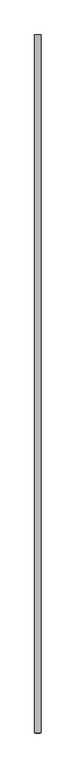
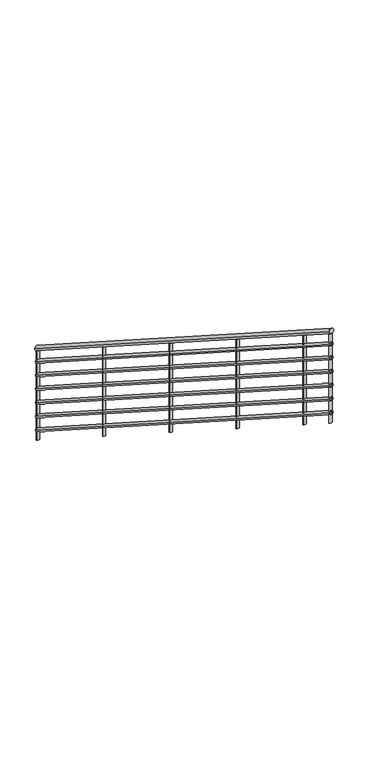
"""IFC4 building model written with IfcOpenShell, lengths in millimetres: railing geometry."""

from ifc_helpers import new_model, si_unit, frame, origin, place, context, project, spatial, ellipse_curve, source, transform, mapped, element, save
from ifc_brep_helpers import plane_surface, cylinder_surface, advanced_brep


def railing_e86615eb(model_context):
    return source(origin(), model_context, "Body", "AdvancedBrep", [
        advanced_brep(
        [(-822.7572282, -30005.6438645, 1052.7068065), (-862.7572282, -30005.6438645, 1052.7068065), (-822.7572282, -34405.6438645, 3876.2362183), (-862.7572282, -34405.6438645, 3876.2362183)],
        [
            (0, 1, ellipse_curve(frame((-842.7572282, -30005.6438645, 1052.7068065), z_axis=(0.0, 1.0, 0.0), x_axis=(0.0, 0.0, -1.0)), 23.7637817, 20.0)),
            (1, 0, ellipse_curve(frame((-842.7572282, -30005.6438645, 1052.7068065), z_axis=(0.0, 1.0, 0.0), x_axis=(0.0, 0.0, -1.0)), 23.7637817, 20.0)),
            (2, 3, ellipse_curve(frame((-842.7572282, -34405.6438645, 3876.2362183), z_axis=(0.0, -1.0, 0.0), x_axis=(0.0, 0.0, -1.0)), 23.7637817, 20.0)),
            (3, 2, ellipse_curve(frame((-842.7572282, -34405.6438645, 3876.2362183), z_axis=(0.0, -1.0, 0.0), x_axis=(0.0, 0.0, -1.0)), 23.7637817, 20.0)),
            (0, 2),
            (3, 1),
        ],
        [
            plane_surface(frame((-842.7572282, -30005.6438645, 1076.4705882), z_axis=(0.0, 1.0, 0.0), x_axis=(0.0, 0.0, -1.0))),
            plane_surface(frame((-842.7572282, -34405.6438645, 3900.0), z_axis=(0.0, -1.0, 0.0), x_axis=(0.0, 0.0, -1.0))),
            cylinder_surface(frame((-842.7572282, -30016.4453647, 1059.6382505), z_axis=(0.0, 0.841616887662225, -0.5400750081254915), x_axis=(-1.0, 0.0, 0.0)), 20.0),
        ],
        [
            (0, [[1, 2]]),
            (1, [[3, 4]]),
            (2, [[-1, 5, -4, 6]]),
            (2, [[-2, -6, -3, -5]]),
        ],
    ),
        advanced_brep(
        [(-827.7572282, -30005.6438645, 933.647752), (-857.7572282, -30005.6438645, 933.647752), (-827.7572282, -34405.6438645, 3757.1771637), (-857.7572282, -34405.6438645, 3757.1771637)],
        [
            (0, 1, ellipse_curve(frame((-842.7572282, -30005.6438645, 933.647752), z_axis=(0.0, 1.0, 0.0), x_axis=(0.0, 0.0, -1.0)), 17.8228363, 15.0)),
            (1, 0, ellipse_curve(frame((-842.7572282, -30005.6438645, 933.647752), z_axis=(0.0, 1.0, 0.0), x_axis=(0.0, 0.0, -1.0)), 17.8228363, 15.0)),
            (2, 3, ellipse_curve(frame((-842.7572282, -34405.6438645, 3757.1771637), z_axis=(0.0, -1.0, 0.0), x_axis=(0.0, 0.0, -1.0)), 17.8228363, 15.0)),
            (3, 2, ellipse_curve(frame((-842.7572282, -34405.6438645, 3757.1771637), z_axis=(0.0, -1.0, 0.0), x_axis=(0.0, 0.0, -1.0)), 17.8228363, 15.0)),
            (0, 2),
            (3, 1),
        ],
        [
            plane_surface(frame((-842.7572282, -30005.6438645, 951.4705882), z_axis=(0.0, 1.0, 0.0), x_axis=(0.0, 0.0, -1.0))),
            plane_surface(frame((-842.7572282, -34405.6438645, 3775.0), z_axis=(0.0, -1.0, 0.0), x_axis=(0.0, 0.0, -1.0))),
            cylinder_surface(frame((-842.7572282, -30013.7449896, 938.8463349), z_axis=(0.0, 0.841616887662225, -0.5400750081254915), x_axis=(-1.0, 0.0, 0.0)), 15.0),
        ],
        [
            (0, [[1, 2]]),
            (1, [[3, 4]]),
            (2, [[-1, 5, -4, 6]]),
            (2, [[-2, -6, -3, -5]]),
        ],
    ),
        advanced_brep(
        [(-827.7572282, -30005.6438645, 808.647752), (-857.7572282, -30005.6438645, 808.647752), (-827.7572282, -34405.6438645, 3632.1771637), (-857.7572282, -34405.6438645, 3632.1771637)],
        [
            (0, 1, ellipse_curve(frame((-842.7572282, -30005.6438645, 808.647752), z_axis=(0.0, 1.0, 0.0), x_axis=(0.0, 0.0, -1.0)), 17.8228363, 15.0)),
            (1, 0, ellipse_curve(frame((-842.7572282, -30005.6438645, 808.647752), z_axis=(0.0, 1.0, 0.0), x_axis=(0.0, 0.0, -1.0)), 17.8228363, 15.0)),
            (2, 3, ellipse_curve(frame((-842.7572282, -34405.6438645, 3632.1771637), z_axis=(0.0, -1.0, 0.0), x_axis=(0.0, 0.0, -1.0)), 17.8228363, 15.0)),
            (3, 2, ellipse_curve(frame((-842.7572282, -34405.6438645, 3632.1771637), z_axis=(0.0, -1.0, 0.0), x_axis=(0.0, 0.0, -1.0)), 17.8228363, 15.0)),
            (0, 2),
            (3, 1),
        ],
        [
            plane_surface(frame((-842.7572282, -30005.6438645, 826.4705882), z_axis=(0.0, 1.0, 0.0), x_axis=(0.0, 0.0, -1.0))),
            plane_surface(frame((-842.7572282, -34405.6438645, 3650.0), z_axis=(0.0, -1.0, 0.0), x_axis=(0.0, 0.0, -1.0))),
            cylinder_surface(frame((-842.7572282, -30013.7449896, 813.8463349), z_axis=(0.0, 0.841616887662225, -0.5400750081254915), x_axis=(-1.0, 0.0, 0.0)), 15.0),
        ],
        [
            (0, [[1, 2]]),
            (1, [[3, 4]]),
            (2, [[-1, 5, -4, 6]]),
            (2, [[-2, -6, -3, -5]]),
        ],
    ),
        advanced_brep(
        [(-827.7572282, -30005.6438645, 683.647752), (-857.7572282, -30005.6438645, 683.647752), (-827.7572282, -34405.6438645, 3507.1771637), (-857.7572282, -34405.6438645, 3507.1771637)],
        [
            (0, 1, ellipse_curve(frame((-842.7572282, -30005.6438645, 683.647752), z_axis=(0.0, 1.0, 0.0), x_axis=(0.0, 0.0, -1.0)), 17.8228363, 15.0)),
            (1, 0, ellipse_curve(frame((-842.7572282, -30005.6438645, 683.647752), z_axis=(0.0, 1.0, 0.0), x_axis=(0.0, 0.0, -1.0)), 17.8228363, 15.0)),
            (2, 3, ellipse_curve(frame((-842.7572282, -34405.6438645, 3507.1771637), z_axis=(0.0, -1.0, 0.0), x_axis=(0.0, 0.0, -1.0)), 17.8228363, 15.0)),
            (3, 2, ellipse_curve(frame((-842.7572282, -34405.6438645, 3507.1771637), z_axis=(0.0, -1.0, 0.0), x_axis=(0.0, 0.0, -1.0)), 17.8228363, 15.0)),
            (0, 2),
            (3, 1),
        ],
        [
            plane_surface(frame((-842.7572282, -30005.6438645, 701.4705882), z_axis=(0.0, 1.0, 0.0), x_axis=(0.0, 0.0, -1.0))),
            plane_surface(frame((-842.7572282, -34405.6438645, 3525.0), z_axis=(0.0, -1.0, 0.0), x_axis=(0.0, 0.0, -1.0))),
            cylinder_surface(frame((-842.7572282, -30013.7449896, 688.8463349), z_axis=(0.0, 0.841616887662225, -0.5400750081254915), x_axis=(-1.0, 0.0, 0.0)), 15.0),
        ],
        [
            (0, [[1, 2]]),
            (1, [[3, 4]]),
            (2, [[-1, 5, -4, 6]]),
            (2, [[-2, -6, -3, -5]]),
        ],
    ),
        advanced_brep(
        [(-827.7572282, -30005.6438645, 558.647752), (-857.7572282, -30005.6438645, 558.647752), (-827.7572282, -34405.6438645, 3382.1771637), (-857.7572282, -34405.6438645, 3382.1771637)],
        [
            (0, 1, ellipse_curve(frame((-842.7572282, -30005.6438645, 558.647752), z_axis=(0.0, 1.0, 0.0), x_axis=(0.0, 0.0, -1.0)), 17.8228363, 15.0)),
            (1, 0, ellipse_curve(frame((-842.7572282, -30005.6438645, 558.647752), z_axis=(0.0, 1.0, 0.0), x_axis=(0.0, 0.0, -1.0)), 17.8228363, 15.0)),
            (2, 3, ellipse_curve(frame((-842.7572282, -34405.6438645, 3382.1771637), z_axis=(0.0, -1.0, 0.0), x_axis=(0.0, 0.0, -1.0)), 17.8228363, 15.0)),
            (3, 2, ellipse_curve(frame((-842.7572282, -34405.6438645, 3382.1771637), z_axis=(0.0, -1.0, 0.0), x_axis=(0.0, 0.0, -1.0)), 17.8228363, 15.0)),
            (0, 2),
            (3, 1),
        ],
        [
            plane_surface(frame((-842.7572282, -30005.6438645, 576.4705882), z_axis=(0.0, 1.0, 0.0), x_axis=(0.0, 0.0, -1.0))),
            plane_surface(frame((-842.7572282, -34405.6438645, 3400.0), z_axis=(0.0, -1.0, 0.0), x_axis=(0.0, 0.0, -1.0))),
            cylinder_surface(frame((-842.7572282, -30013.7449896, 563.8463349), z_axis=(0.0, 0.841616887662225, -0.5400750081254915), x_axis=(-1.0, 0.0, 0.0)), 15.0),
        ],
        [
            (0, [[1, 2]]),
            (1, [[3, 4]]),
            (2, [[-1, 5, -4, 6]]),
            (2, [[-2, -6, -3, -5]]),
        ],
    ),
        advanced_brep(
        [(-827.7572282, -30005.6438645, 433.647752), (-857.7572282, -30005.6438645, 433.647752), (-827.7572282, -34405.6438645, 3257.1771637), (-857.7572282, -34405.6438645, 3257.1771637)],
        [
            (0, 1, ellipse_curve(frame((-842.7572282, -30005.6438645, 433.647752), z_axis=(0.0, 1.0, 0.0), x_axis=(0.0, 0.0, -1.0)), 17.8228363, 15.0)),
            (1, 0, ellipse_curve(frame((-842.7572282, -30005.6438645, 433.647752), z_axis=(0.0, 1.0, 0.0), x_axis=(0.0, 0.0, -1.0)), 17.8228363, 15.0)),
            (2, 3, ellipse_curve(frame((-842.7572282, -34405.6438645, 3257.1771637), z_axis=(0.0, -1.0, 0.0), x_axis=(0.0, 0.0, -1.0)), 17.8228363, 15.0)),
            (3, 2, ellipse_curve(frame((-842.7572282, -34405.6438645, 3257.1771637), z_axis=(0.0, -1.0, 0.0), x_axis=(0.0, 0.0, -1.0)), 17.8228363, 15.0)),
            (0, 2),
            (3, 1),
        ],
        [
            plane_surface(frame((-842.7572282, -30005.6438645, 451.4705882), z_axis=(0.0, 1.0, 0.0), x_axis=(0.0, 0.0, -1.0))),
            plane_surface(frame((-842.7572282, -34405.6438645, 3275.0), z_axis=(0.0, -1.0, 0.0), x_axis=(0.0, 0.0, -1.0))),
            cylinder_surface(frame((-842.7572282, -30013.7449896, 438.8463349), z_axis=(0.0, 0.841616887662225, -0.5400750081254915), x_axis=(-1.0, 0.0, 0.0)), 15.0),
        ],
        [
            (0, [[1, 2]]),
            (1, [[3, 4]]),
            (2, [[-1, 5, -4, 6]]),
            (2, [[-2, -6, -3, -5]]),
        ],
    ),
        advanced_brep(
        [(-827.7572282, -30005.6438645, 308.647752), (-857.7572282, -30005.6438645, 308.647752), (-827.7572282, -34405.6438645, 3132.1771637), (-857.7572282, -34405.6438645, 3132.1771637)],
        [
            (0, 1, ellipse_curve(frame((-842.7572282, -30005.6438645, 308.647752), z_axis=(0.0, 1.0, 0.0), x_axis=(0.0, 0.0, -1.0)), 17.8228363, 15.0)),
            (1, 0, ellipse_curve(frame((-842.7572282, -30005.6438645, 308.647752), z_axis=(0.0, 1.0, 0.0), x_axis=(0.0, 0.0, -1.0)), 17.8228363, 15.0)),
            (2, 3, ellipse_curve(frame((-842.7572282, -34405.6438645, 3132.1771637), z_axis=(0.0, -1.0, 0.0), x_axis=(0.0, 0.0, -1.0)), 17.8228363, 15.0)),
            (3, 2, ellipse_curve(frame((-842.7572282, -34405.6438645, 3132.1771637), z_axis=(0.0, -1.0, 0.0), x_axis=(0.0, 0.0, -1.0)), 17.8228363, 15.0)),
            (0, 2),
            (3, 1),
        ],
        [
            plane_surface(frame((-842.7572282, -30005.6438645, 326.4705882), z_axis=(0.0, 1.0, 0.0), x_axis=(0.0, 0.0, -1.0))),
            plane_surface(frame((-842.7572282, -34405.6438645, 3150.0), z_axis=(0.0, -1.0, 0.0), x_axis=(0.0, 0.0, -1.0))),
            cylinder_surface(frame((-842.7572282, -30013.7449896, 313.8463349), z_axis=(0.0, 0.841616887662225, -0.5400750081254915), x_axis=(-1.0, 0.0, 0.0)), 15.0),
        ],
        [
            (0, [[1, 2]]),
            (1, [[3, 4]]),
            (2, [[-1, 5, -4, 6]]),
            (2, [[-2, -6, -3, -5]]),
        ],
    ),
        advanced_brep(
        [(-855.2572282, -34005.6438645, 3595.7879446), (-855.2572282, -34005.6438645, 2782.8260947), (-830.2572282, -34005.6438645, 2782.8260947), (-830.2572282, -34005.6438645, 3595.7879446)],
        [
            (0, 1),
            (1, 2, ellipse_curve(frame((-842.7572282, -34005.6438645, 2782.8260947), z_axis=(0.0, 0.5400750081254915, 0.8416168876622251), x_axis=(0.0, -0.8416168876622251, 0.5400750081254914)), 14.8523636, 12.5)),
            (2, 3),
            (3, 0, ellipse_curve(frame((-842.7572282, -34005.6438645, 3595.7879446), z_axis=(0.0, -0.5400750081254908, -0.8416168876622255), x_axis=(0.0, -0.8416168876622256, 0.5400750081254907)), 14.8523636, 12.5)),
            (0, 3, ellipse_curve(frame((-842.7572282, -34005.6438645, 3595.7879446), z_axis=(0.0, -0.5400750081254908, -0.8416168876622255), x_axis=(0.0, -0.8416168876622256, 0.5400750081254907)), 14.8523636, 12.5)),
            (2, 1, ellipse_curve(frame((-842.7572282, -34005.6438645, 2782.8260947), z_axis=(0.0, 0.5400750081254915, 0.8416168876622251), x_axis=(0.0, -0.8416168876622251, 0.5400750081254914)), 14.8523636, 12.5)),
        ],
        [
            cylinder_surface(frame((-842.7572282, -34005.6438645, 2682.8260947), z_axis=(0.0, 0.0, 1.0), x_axis=(1.0, 0.0, 0.0)), 12.5),
            plane_surface(frame((-817.7572282, -34030.6438645, 3611.8307254), z_axis=(0.0, 0.5400750081254908, 0.8416168876622255), x_axis=(-1.0, 0.0, 0.0))),
            plane_surface(frame((-817.7572282, -33980.6438645, 2766.783314), z_axis=(0.0, -0.5400750081254915, -0.8416168876622251), x_axis=(-1.0, 0.0, 0.0))),
        ],
        [
            (0, [[1, 2, 3, 4]]),
            (0, [[-1, 5, -3, 6]]),
            (1, [[-4, -5]]),
            (2, [[-2, -6]]),
        ],
    ),
        advanced_brep(
        [(-855.2572282, -33005.6438645, 2954.0767147), (-855.2572282, -33005.6438645, 2141.1148648), (-830.2572282, -33005.6438645, 2141.1148648), (-830.2572282, -33005.6438645, 2954.0767147)],
        [
            (0, 1),
            (1, 2, ellipse_curve(frame((-842.7572282, -33005.6438645, 2141.1148648), z_axis=(0.0, 0.5400750081254915, 0.8416168876622251), x_axis=(0.0, -0.8416168876622251, 0.5400750081254914)), 14.8523636, 12.5)),
            (2, 3),
            (3, 0, ellipse_curve(frame((-842.7572282, -33005.6438645, 2954.0767147), z_axis=(0.0, -0.5400750081254908, -0.8416168876622255), x_axis=(0.0, -0.8416168876622256, 0.5400750081254907)), 14.8523636, 12.5)),
            (0, 3, ellipse_curve(frame((-842.7572282, -33005.6438645, 2954.0767147), z_axis=(0.0, -0.5400750081254908, -0.8416168876622255), x_axis=(0.0, -0.8416168876622256, 0.5400750081254907)), 14.8523636, 12.5)),
            (2, 1, ellipse_curve(frame((-842.7572282, -33005.6438645, 2141.1148648), z_axis=(0.0, 0.5400750081254915, 0.8416168876622251), x_axis=(0.0, -0.8416168876622251, 0.5400750081254914)), 14.8523636, 12.5)),
        ],
        [
            cylinder_surface(frame((-842.7572282, -33005.6438645, 2041.1148648), z_axis=(0.0, 0.0, 1.0), x_axis=(1.0, 0.0, 0.0)), 12.5),
            plane_surface(frame((-817.7572282, -33030.6438645, 2970.1194954), z_axis=(0.0, 0.5400750081254908, 0.8416168876622255), x_axis=(-1.0, 0.0, 0.0))),
            plane_surface(frame((-817.7572282, -32980.6438645, 2125.072084), z_axis=(0.0, -0.5400750081254915, -0.8416168876622251), x_axis=(-1.0, 0.0, 0.0))),
        ],
        [
            (0, [[1, 2, 3, 4]]),
            (0, [[-1, 5, -3, 6]]),
            (1, [[-4, -5]]),
            (2, [[-2, -6]]),
        ],
    ),
        advanced_brep(
        [(-855.2572282, -32005.6438645, 2312.3654847), (-855.2572282, -32005.6438645, 1499.4036348), (-830.2572282, -32005.6438645, 1499.4036348), (-830.2572282, -32005.6438645, 2312.3654847)],
        [
            (0, 1),
            (1, 2, ellipse_curve(frame((-842.7572282, -32005.6438645, 1499.4036348), z_axis=(0.0, 0.5400750081254915, 0.8416168876622251), x_axis=(0.0, -0.8416168876622251, 0.5400750081254914)), 14.8523636, 12.5)),
            (2, 3),
            (3, 0, ellipse_curve(frame((-842.7572282, -32005.6438645, 2312.3654847), z_axis=(0.0, -0.5400750081254908, -0.8416168876622255), x_axis=(0.0, -0.8416168876622256, 0.5400750081254907)), 14.8523636, 12.5)),
            (0, 3, ellipse_curve(frame((-842.7572282, -32005.6438645, 2312.3654847), z_axis=(0.0, -0.5400750081254908, -0.8416168876622255), x_axis=(0.0, -0.8416168876622256, 0.5400750081254907)), 14.8523636, 12.5)),
            (2, 1, ellipse_curve(frame((-842.7572282, -32005.6438645, 1499.4036348), z_axis=(0.0, 0.5400750081254915, 0.8416168876622251), x_axis=(0.0, -0.8416168876622251, 0.5400750081254914)), 14.8523636, 12.5)),
        ],
        [
            cylinder_surface(frame((-842.7572282, -32005.6438645, 1399.4036348), z_axis=(0.0, 0.0, 1.0), x_axis=(1.0, 0.0, 0.0)), 12.5),
            plane_surface(frame((-817.7572282, -32030.6438645, 2328.4082655), z_axis=(0.0, 0.5400750081254908, 0.8416168876622255), x_axis=(-1.0, 0.0, 0.0))),
            plane_surface(frame((-817.7572282, -31980.6438645, 1483.3608541), z_axis=(0.0, -0.5400750081254915, -0.8416168876622251), x_axis=(-1.0, 0.0, 0.0))),
        ],
        [
            (0, [[1, 2, 3, 4]]),
            (0, [[-1, 5, -3, 6]]),
            (1, [[-4, -5]]),
            (2, [[-2, -6]]),
        ],
    ),
        advanced_brep(
        [(-855.2572282, -31005.6438645, 1670.6542548), (-855.2572282, -31005.6438645, 857.6924049), (-830.2572282, -31005.6438645, 857.6924049), (-830.2572282, -31005.6438645, 1670.6542548)],
        [
            (0, 1),
            (1, 2, ellipse_curve(frame((-842.7572282, -31005.6438645, 857.6924049), z_axis=(0.0, 0.5400750081254915, 0.8416168876622251), x_axis=(0.0, -0.8416168876622251, 0.5400750081254914)), 14.8523636, 12.5)),
            (2, 3),
            (3, 0, ellipse_curve(frame((-842.7572282, -31005.6438645, 1670.6542548), z_axis=(0.0, -0.5400750081254908, -0.8416168876622255), x_axis=(0.0, -0.8416168876622256, 0.5400750081254907)), 14.8523636, 12.5)),
            (0, 3, ellipse_curve(frame((-842.7572282, -31005.6438645, 1670.6542548), z_axis=(0.0, -0.5400750081254908, -0.8416168876622255), x_axis=(0.0, -0.8416168876622256, 0.5400750081254907)), 14.8523636, 12.5)),
            (2, 1, ellipse_curve(frame((-842.7572282, -31005.6438645, 857.6924049), z_axis=(0.0, 0.5400750081254915, 0.8416168876622251), x_axis=(0.0, -0.8416168876622251, 0.5400750081254914)), 14.8523636, 12.5)),
        ],
        [
            cylinder_surface(frame((-842.7572282, -31005.6438645, 757.6924049), z_axis=(0.0, 0.0, 1.0), x_axis=(1.0, 0.0, 0.0)), 12.5),
            plane_surface(frame((-817.7572282, -31030.6438645, 1686.6970355), z_axis=(0.0, 0.5400750081254908, 0.8416168876622255), x_axis=(-1.0, 0.0, 0.0))),
            plane_surface(frame((-817.7572282, -30980.6438645, 841.6496241), z_axis=(0.0, -0.5400750081254915, -0.8416168876622251), x_axis=(-1.0, 0.0, 0.0))),
        ],
        [
            (0, [[1, 2, 3, 4]]),
            (0, [[-1, 5, -3, 6]]),
            (1, [[-4, -5]]),
            (2, [[-2, -6]]),
        ],
    ),
        advanced_brep(
        [(-855.2572282, -34393.1438645, 3844.4510462), (-855.2572282, -34393.1438645, 3031.4891963), (-830.2572282, -34393.1438645, 3031.4891963), (-830.2572282, -34393.1438645, 3844.4510462)],
        [
            (0, 1),
            (1, 2, ellipse_curve(frame((-842.7572282, -34393.1438645, 3031.4891963), z_axis=(0.0, 0.5400750081254915, 0.8416168876622251), x_axis=(0.0, -0.8416168876622251, 0.5400750081254914)), 14.8523636, 12.5)),
            (2, 3),
            (3, 0, ellipse_curve(frame((-842.7572282, -34393.1438645, 3844.4510462), z_axis=(0.0, -0.5400750081254908, -0.8416168876622255), x_axis=(0.0, -0.8416168876622256, 0.5400750081254907)), 14.8523636, 12.5)),
            (0, 3, ellipse_curve(frame((-842.7572282, -34393.1438645, 3844.4510462), z_axis=(0.0, -0.5400750081254908, -0.8416168876622255), x_axis=(0.0, -0.8416168876622256, 0.5400750081254907)), 14.8523636, 12.5)),
            (2, 1, ellipse_curve(frame((-842.7572282, -34393.1438645, 3031.4891963), z_axis=(0.0, 0.5400750081254915, 0.8416168876622251), x_axis=(0.0, -0.8416168876622251, 0.5400750081254914)), 14.8523636, 12.5)),
        ],
        [
            cylinder_surface(frame((-842.7572282, -34393.1438645, 2931.4891963), z_axis=(0.0, 0.0, 1.0), x_axis=(1.0, 0.0, 0.0)), 12.5),
            plane_surface(frame((-817.7572282, -34418.1438645, 3860.493827), z_axis=(0.0, 0.5400750081254908, 0.8416168876622255), x_axis=(-1.0, 0.0, 0.0))),
            plane_surface(frame((-817.7572282, -34368.1438645, 3015.4464156), z_axis=(0.0, -0.5400750081254915, -0.8416168876622251), x_axis=(-1.0, 0.0, 0.0))),
        ],
        [
            (0, [[1, 2, 3, 4]]),
            (0, [[-1, 5, -3, 6]]),
            (1, [[-4, -5]]),
            (2, [[-2, -6]]),
        ],
    ),
        advanced_brep(
        [(-855.2572282, -30018.1438645, 1036.9644152), (-855.2572282, -30018.1438645, 224.0025653), (-830.2572282, -30018.1438645, 224.0025653), (-830.2572282, -30018.1438645, 1036.9644152)],
        [
            (0, 1),
            (1, 2, ellipse_curve(frame((-842.7572282, -30018.1438645, 224.0025653), z_axis=(0.0, 0.5400750081254915, 0.8416168876622251), x_axis=(0.0, -0.8416168876622251, 0.5400750081254914)), 14.8523636, 12.5)),
            (2, 3),
            (3, 0, ellipse_curve(frame((-842.7572282, -30018.1438645, 1036.9644152), z_axis=(0.0, -0.5400750081254908, -0.8416168876622255), x_axis=(0.0, -0.8416168876622256, 0.5400750081254907)), 14.8523636, 12.5)),
            (0, 3, ellipse_curve(frame((-842.7572282, -30018.1438645, 1036.9644152), z_axis=(0.0, -0.5400750081254908, -0.8416168876622255), x_axis=(0.0, -0.8416168876622256, 0.5400750081254907)), 14.8523636, 12.5)),
            (2, 1, ellipse_curve(frame((-842.7572282, -30018.1438645, 224.0025653), z_axis=(0.0, 0.5400750081254915, 0.8416168876622251), x_axis=(0.0, -0.8416168876622251, 0.5400750081254914)), 14.8523636, 12.5)),
        ],
        [
            cylinder_surface(frame((-842.7572282, -30018.1438645, 124.0025653), z_axis=(0.0, 0.0, 1.0), x_axis=(1.0, 0.0, 0.0)), 12.5),
            plane_surface(frame((-817.7572282, -30043.1438645, 1053.0071959), z_axis=(0.0, 0.5400750081254908, 0.8416168876622255), x_axis=(-1.0, 0.0, 0.0))),
            plane_surface(frame((-817.7572282, -29993.1438645, 207.9597846), z_axis=(0.0, -0.5400750081254915, -0.8416168876622251), x_axis=(-1.0, 0.0, 0.0))),
        ],
        [
            (0, [[1, 2, 3, 4]]),
            (0, [[-1, 5, -3, 6]]),
            (1, [[-4, -5]]),
            (2, [[-2, -6]]),
        ],
    ),
    ])


if __name__ == "__main__":
    model = new_model("IFC4")
    model_context = context("Model", 3, world=origin())
    ifc_project = project(units=[si_unit("LENGTHUNIT", "METRE", prefix="MILLI")], contexts=[model_context])
    site = spatial("IfcSite", under=ifc_project)
    building = spatial("IfcBuilding", under=site)
    placement = place(None, origin())
    railing_shape = railing_e86615eb(model_context)
    element("IfcRailing", 1, at=placement, inside=building, context=model_context, shape_type="MappedRepresentation", body=[
        mapped(railing_shape, transform((0.0, 0.0, 0.0), x_axis=(1.0, 0.0, 0.0), y_axis=(0.0, 1.0, 0.0), z_axis=(0.0, 0.0, 1.0))),
    ])
    save(model, "model.ifc")
